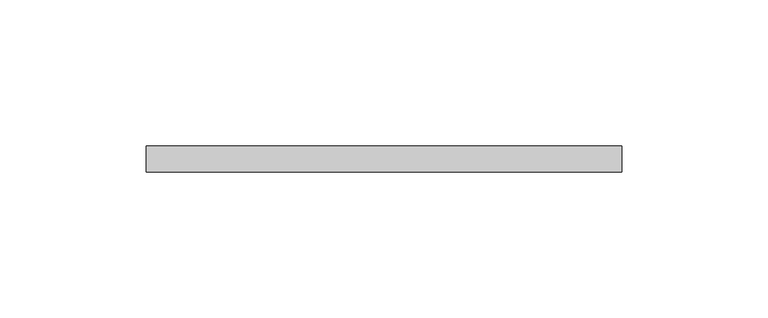
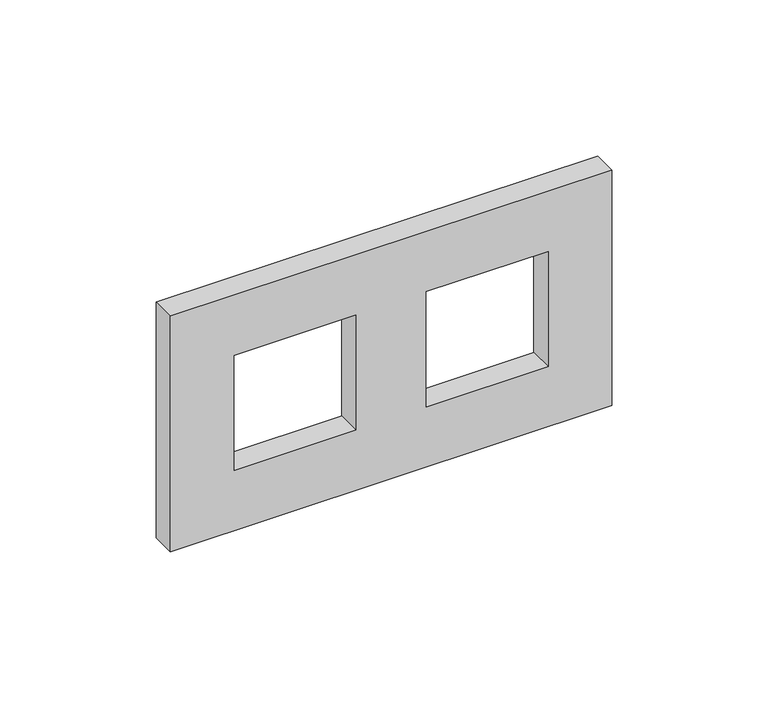
"""IFC4 building model written with IfcOpenShell, lengths in millimetres: proxy geometry."""

from ifc_helpers import new_model, si_unit, frame, origin, place, context, project, spatial, polyline, outline, extrude, source, transform, mapped, element, save


def electrical_fixtures_908ffc41(model_context):
    return source(origin(), model_context, "Body", "SweptSolid", [
        extrude(outline(polyline([(46.0, 81.5), (46.0, -81.5), (-46.0, -81.5), (-46.0, 81.5), (46.0, 81.5)]), holes=[polyline([(22.5, -13.0), (-22.5, -13.0), (-22.5, -58.0), (22.5, -58.0), (22.5, -13.0)]), polyline([(22.5, 58.0), (-22.5, 58.0), (-22.5, 13.0), (22.5, 13.0), (22.5, 58.0)])]), frame((0.0, 0.0, 0.0), z_axis=(0.0, 1.0, 0.0), x_axis=(0.0, 0.0, 1.0)), (0.0, 0.0, 1.0), 9.0),
    ])


if __name__ == "__main__":
    model = new_model("IFC4")
    model_context = context("Model", 3, world=origin())
    ifc_project = project(units=[si_unit("LENGTHUNIT", "METRE", prefix="MILLI")], contexts=[model_context])
    site = spatial("IfcSite", under=ifc_project)
    building = spatial("IfcBuilding", under=site)
    placement = place(None, origin())
    electrical_fixtures_shape = electrical_fixtures_908ffc41(model_context)
    element("IfcBuildingElementProxy", 1, Name="Electrical Fixtures", at=placement, inside=building, context=model_context, shape_type="MappedRepresentation", body=[
        mapped(electrical_fixtures_shape, transform((0.0, 0.0, 0.0), x_axis=(1.0, 0.0, 0.0), y_axis=(0.0, 1.0, 0.0), z_axis=(0.0, 0.0, 1.0))),
    ])
    save(model, "model.ifc")
